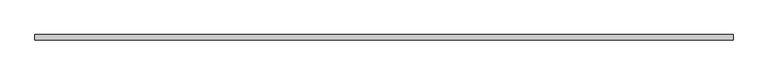
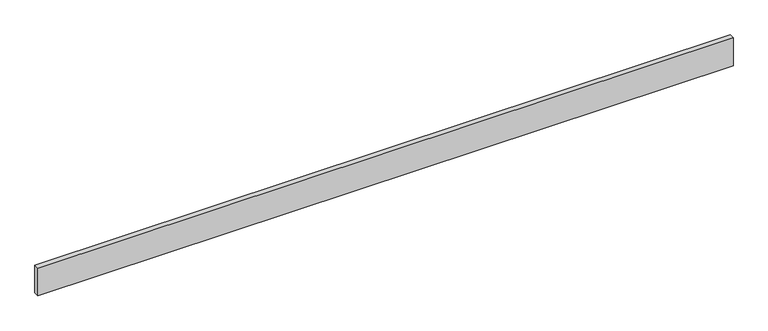
"""IFC4 building model written with IfcOpenShell, lengths in millimetres: beam geometry."""

from ifc_helpers import new_model, si_unit, frame, origin, place, context, project, spatial, polyline, outline, extrude, source, transform, mapped, element, save


def beam_c2de2dc7(model_context):
    return source(origin(), model_context, "Body", "SweptSolid", [
        extrude(outline(polyline([(2368.4, -18.0), (-2368.4, -18.0), (-2368.4, 18.0), (2368.4, 18.0), (2368.4, -18.0)])), frame((0.0, 0.0, -100.0), z_axis=(0.0, 0.0, 1.0), x_axis=(1.0, 0.0, 0.0)), (0.0, 0.0, 1.0), 200.0),
    ])


if __name__ == "__main__":
    model = new_model("IFC4")
    model_context = context("Model", 3, world=origin())
    ifc_project = project(units=[si_unit("LENGTHUNIT", "METRE", prefix="MILLI")], contexts=[model_context])
    site = spatial("IfcSite", under=ifc_project)
    building = spatial("IfcBuilding", under=site)
    placement = place(None, origin())
    beam_shape = beam_c2de2dc7(model_context)
    element("IfcBeam", 1, at=placement, inside=building, context=model_context, shape_type="MappedRepresentation", body=[
        mapped(beam_shape, transform((0.0, 0.0, 0.0), x_axis=(1.0, 0.0, 0.0), y_axis=(0.0, 1.0, 0.0), z_axis=(0.0, 0.0, 1.0))),
    ])
    save(model, "model.ifc")
